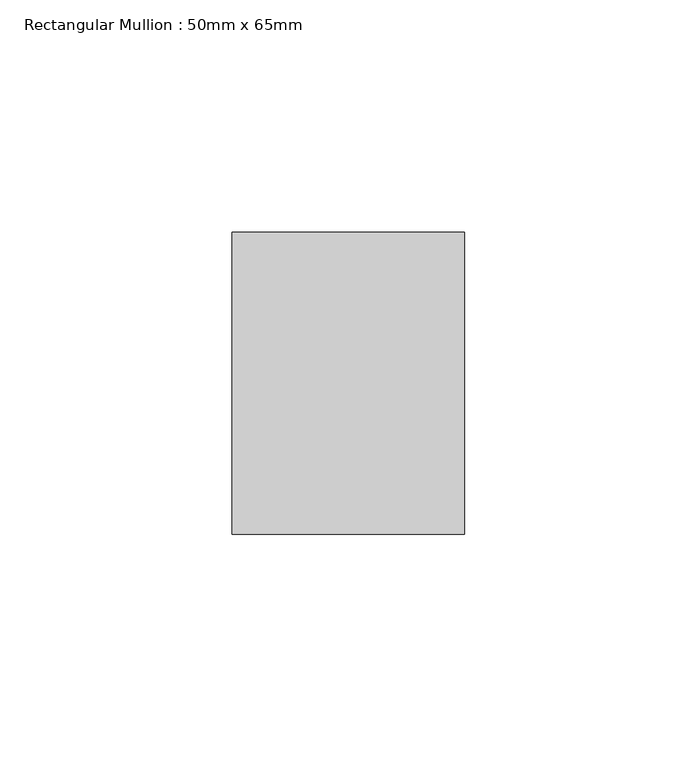
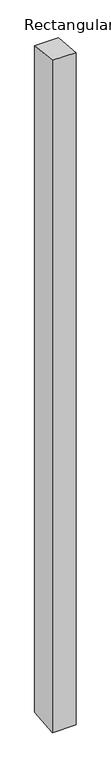
"""IFC4 building model written with IfcOpenShell, lengths in millimetres: member geometry, Rectangular Mullion : 50mm x 65mm."""

import ifcopenshell
import ifcopenshell.guid

model = None  # the IFC model being written
_history = None  # IfcOwnerHistory: only IFC2X3 demands one
_inside = {}  # id of a spatial element -> (the spatial element, [elements in it])
_under = {}  # id of a project, library or spatial element -> (it, [spatial elements below it])
_declared = {}  # id of a project -> (the project, [libraries it declares])
_typed = {}  # id of a type object -> (the type object, [elements of that type])
_made_of = {}  # id of a material, layer set ... -> (it, [elements and type objects made of it])


def new_model(schema):
    """Start an empty IFC model of exactly this schema.

    Asked for "IFC4X3", IfcOpenShell would pick the latest addendum, in which some entities
    have other attributes; the version numbers below select the first issue.
    IFC2X3 requires an IfcOwnerHistory on every rooted entity: one is made here for all.
    """
    global model, _history
    if schema == "IFC4X3":
        model = ifcopenshell.file(schema_version=(4, 3, 0, 0))
    else:
        model = ifcopenshell.file(schema=schema)
    _inside.clear()
    _under.clear()
    _declared.clear()
    _typed.clear()
    _made_of.clear()
    _history = None
    if model.schema == "IFC2X3":
        org = make("IfcOrganization", Name="unknown")
        user = make(
            "IfcPersonAndOrganization",
            ThePerson=make("IfcPerson", FamilyName="unknown"),
            TheOrganization=org,
        )
        app = make(
            "IfcApplication",
            ApplicationDeveloper=org,
            Version="unknown",
            ApplicationFullName="unknown",
            ApplicationIdentifier="unknown",
        )
        _history = make(
            "IfcOwnerHistory",
            OwningUser=user,
            OwningApplication=app,
            ChangeAction="ADDED",
            CreationDate=0,
        )
    return model


def make(cls, **values):
    """One entity of the class cls with the attributes given. An attribute that is None is left unset."""
    return model.create_entity(
        cls, **{name: value for name, value in values.items() if value is not None}
    )


def rooted(cls, **values):
    """An entity with a GlobalId (a new one), such as an element, a storey or a relation."""
    return make(cls, GlobalId=ifcopenshell.guid.new(), OwnerHistory=_history, **values)


def si_unit(unit_type, name, prefix=None):
    """IfcSIUnit, for example si_unit("LENGTHUNIT", "METRE", prefix="MILLI")."""
    return make("IfcSIUnit", UnitType=unit_type, Prefix=prefix, Name=name)


def assignment(units):
    """IfcUnitAssignment: the units of a project."""
    return None if units is None else make("IfcUnitAssignment", Units=units)


def point(xyz):
    """IfcCartesianPoint."""
    return None if xyz is None else make("IfcCartesianPoint", Coordinates=xyz)


def direction(xyz):
    """IfcDirection."""
    return None if xyz is None else make("IfcDirection", DirectionRatios=xyz)


def frame(location, z_axis=None, x_axis=None):
    """IfcAxis2Placement3D, a coordinate frame: its origin and axes. An axis left out is left unset."""
    return make(
        "IfcAxis2Placement3D",
        Location=point(location),
        Axis=direction(z_axis),
        RefDirection=direction(x_axis),
    )


def origin():
    """The frame at (0, 0, 0) with its axes left unset."""
    return frame((0.0, 0.0, 0.0))


def place(relative_to, where):
    """IfcLocalPlacement: puts the frame where relative to a parent placement (None: the world)."""
    return make(
        "IfcLocalPlacement", PlacementRelTo=relative_to, RelativePlacement=where
    )


def context(
    kind, dimensions, precision=None, world=None, true_north=None, identifier=None
):
    """IfcGeometricRepresentationContext, for example the 3D "Model" context."""
    return make(
        "IfcGeometricRepresentationContext",
        ContextIdentifier=identifier,
        ContextType=kind,
        CoordinateSpaceDimension=dimensions,
        Precision=precision,
        WorldCoordinateSystem=world,
        TrueNorth=true_north,
    )


def project(units=None, contexts=None):
    """IfcProject with its units and contexts."""
    return rooted(
        "IfcProject",
        Name="project",
        RepresentationContexts=contexts,
        UnitsInContext=assignment(units),
    )


def spatial(cls, under=None, at=None, **own):
    """A site, building, storey or space (cls), placed at a placement, below another one or the project."""
    s = rooted(cls, ObjectPlacement=at, **own)
    if under is not None:
        _under.setdefault(under.id(), (under, []))[1].append(s)
    return s


def faces_of(points, faces, orient=None, outer=None):
    """IfcFace entities. A face is a list of loops; a loop is a list of indices into points, from 0.

    orient and outer hold one flag for each loop. By default every Orientation is true, the
    first loop of a face is its IfcFaceOuterBound and the others are IfcFaceBound.
    """
    made = []
    for i, loops in enumerate(faces):
        bounds = []
        for j, loop in enumerate(loops):
            is_outer = j == 0 if outer is None else outer[i][j]
            bounds.append(
                make(
                    "IfcFaceOuterBound" if is_outer else "IfcFaceBound",
                    Bound=make("IfcPolyLoop", Polygon=[points[k] for k in loop]),
                    Orientation=True if orient is None else orient[i][j],
                )
            )
        made.append(make("IfcFace", Bounds=bounds))
    return made


def faceted_brep(points, faces, orient=None, outer=None, voids=None):
    """IfcFacetedBrep: a solid bounded by flat faces; with voids (closed shells), ...WithVoids."""
    shared = [point(p) for p in points]
    hull = make("IfcClosedShell", CfsFaces=faces_of(shared, faces, orient, outer))
    if voids is None:
        return make("IfcFacetedBrep", Outer=hull)
    return make(
        "IfcFacetedBrepWithVoids",
        Outer=hull,
        Voids=[
            make(cls, CfsFaces=faces_of(shared, fs, o, b)) for cls, fs, o, b in voids
        ],
    )


def shape(context_of_items, identifier, shape_type, items):
    """IfcShapeRepresentation: the items that make up one representation, for example the "Body"."""
    return make(
        "IfcShapeRepresentation",
        ContextOfItems=context_of_items,
        RepresentationIdentifier=identifier,
        RepresentationType=shape_type,
        Items=items,
    )


def source(mapping_origin, context_of_items, identifier, shape_type, items):
    """IfcRepresentationMap: a shape defined once, which mapped items show again and again."""
    return make(
        "IfcRepresentationMap",
        MappingOrigin=mapping_origin,
        MappedRepresentation=shape(context_of_items, identifier, shape_type, items),
    )


def transform(
    local_origin,
    x_axis=None,
    y_axis=None,
    z_axis=None,
    scale=None,
    scale2=None,
    scale3=None,
    uniform=True,
):
    """IfcCartesianTransformationOperator3D, or its non-uniform kind. x_axis, y_axis, z_axis: its Axis1, 2, 3."""
    if uniform:
        return make(
            "IfcCartesianTransformationOperator3D",
            Axis1=direction(x_axis),
            Axis2=direction(y_axis),
            LocalOrigin=point(local_origin),
            Scale=scale,
            Axis3=direction(z_axis),
        )
    return make(
        "IfcCartesianTransformationOperator3DnonUniform",
        Axis1=direction(x_axis),
        Axis2=direction(y_axis),
        LocalOrigin=point(local_origin),
        Scale=scale,
        Axis3=direction(z_axis),
        Scale2=scale2,
        Scale3=scale3,
    )


def mapped(mapping_source, mapping_target):
    """IfcMappedItem: shows the shape of a source again, moved by a transform."""
    return make(
        "IfcMappedItem", MappingSource=mapping_source, MappingTarget=mapping_target
    )


def made_of(thing, what):
    """Note that an element or type object is made of a material, layer set ...; save() writes the relation."""
    if what is not None:
        _made_of.setdefault(what.id(), (what, []))[1].append(thing)
    return thing


def element(
    cls,
    number,
    at=None,
    inside=None,
    cuts=None,
    type_object=None,
    material=None,
    context=None,
    identifier="Body",
    shape_type=None,
    held_by="IfcProductDefinitionShape",
    body=None,
    shapes=None,
    **own,
):
    """One element of the class cls, such as IfcWall. Its Tag is "e" and its number.

    at: its placement. inside: the storey or other place that contains it. cuts: it is an
    opening in that element (IfcRelVoidsElement). A single representation is given by context,
    identifier, shape_type and body (its items); several are given by shapes. held_by: the class
    of the entity that holds the representations. save() writes the other relations.
    """
    e = rooted(cls, Tag="e%d" % number, ObjectPlacement=at, **own)
    if body is not None:
        shapes = [shape(context, identifier, shape_type, body)]
    if shapes is not None:
        e.Representation = make(held_by, Representations=shapes)
    if inside is not None:
        _inside.setdefault(inside.id(), (inside, []))[1].append(e)
    if cuts is not None:
        rooted(
            "IfcRelVoidsElement", RelatingBuildingElement=cuts, RelatedOpeningElement=e
        )
    if type_object is not None:
        _typed.setdefault(type_object.id(), (type_object, []))[1].append(e)
    return made_of(e, material)


def aggregate(whole, parts):
    """IfcRelAggregates: a whole, such as a stair, and the parts it consists of."""
    return rooted("IfcRelAggregates", RelatingObject=whole, RelatedObjects=parts)


def save(model, path):
    """Write the relations noted so far, then the file.

    IfcRelAggregates (storeys below a building ...), IfcRelContainedInSpatialStructure (elements
    in a storey), IfcRelDefinesByType, IfcRelAssociatesMaterial and IfcRelDeclares: one each for
    every whole, place, type object, material and project.
    """
    for whole, parts in _under.values():
        aggregate(whole, parts)
    for where, things in _inside.values():
        rooted(
            "IfcRelContainedInSpatialStructure",
            RelatedElements=things,
            RelatingStructure=where,
        )
    for kind, things in _typed.values():
        rooted("IfcRelDefinesByType", RelatedObjects=things, RelatingType=kind)
    for what, things in _made_of.values():
        rooted("IfcRelAssociatesMaterial", RelatedObjects=things, RelatingMaterial=what)
    for by, libraries in _declared.values():
        rooted("IfcRelDeclares", RelatingContext=by, RelatedDefinitions=libraries)
    model.write(path)


def rectangular_mullion_50mm_x_65mm_f0920eb3(model_context):
    return source(origin(), model_context, "Body", "Brep", [
        faceted_brep([(-25.0, 32.5, -3.3716851), (25.0, 32.5, -3.3716791), (25.0, 32.5, -1496.8525507), (-25.0, 32.5, -1496.8525451), (-25.0, -32.5, 3.3716791), (-25.0, -32.5, -1503.1464184), (25.0, -32.5, 3.3716851), (25.0, -32.5, -1503.1464239)], [[[0, 1, 2, 3]], [[4, 0, 3, 5]], [[6, 4, 5, 7]], [[1, 6, 7, 2]], [[1, 0, 4, 6]], [[2, 7, 5, 3]]]),
    ])


if __name__ == "__main__":
    model = new_model("IFC4")
    model_context = context("Model", 3, world=origin())
    ifc_project = project(units=[si_unit("LENGTHUNIT", "METRE", prefix="MILLI")], contexts=[model_context])
    site = spatial("IfcSite", under=ifc_project)
    building = spatial("IfcBuilding", under=site)
    placement = place(None, origin())
    rectangular_mullion_50mm_x_65mm_shape = rectangular_mullion_50mm_x_65mm_f0920eb3(model_context)
    element("IfcMember", 1, ObjectType="Rectangular Mullion : 50mm x 65mm", at=placement, inside=building, context=model_context, shape_type="MappedRepresentation", body=[
        mapped(rectangular_mullion_50mm_x_65mm_shape, transform((0.0, 0.0, 0.0), x_axis=(1.0, 0.0, 0.0), y_axis=(0.0, 1.0, 0.0), z_axis=(0.0, 0.0, 1.0))),
    ])
    save(model, "model.ifc")
